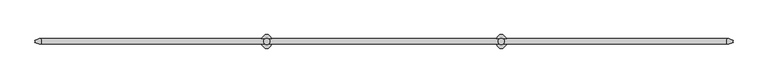
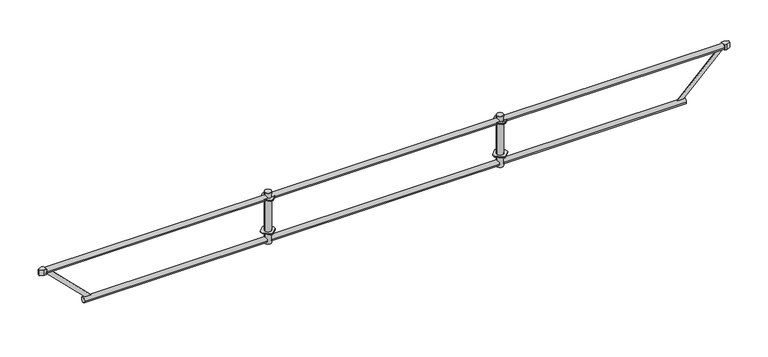
"""IFC4 building model written with IfcOpenShell, lengths in millimetres: proxy geometry."""

from ifc_helpers import new_model, si_unit, point, frame, frame_2d, origin, origin_2d, place, context, project, spatial, polyline, circle_curve, trimmed, segment, composite_curve, outline, extrude, source, transform, mapped, element, save


def generic_models_d2f4a7e8(model_context):
    return source(origin(), model_context, "Body", "SweptSolid", [
        extrude(outline(polyline([(1839.5, 53.0), (1882.0, 10.5), (1882.0, -10.5), (1839.5, -53.0), (1818.5, -53.0), (1776.0, -10.5), (1776.0, 10.5), (1818.5, 53.0), (1839.5, 53.0)]), holes=[composite_curve([segment(trimmed(circle_curve(frame_2d((1829.0, 0.0)), 24.3), [point((1804.7, 0.0))], [point((1853.3, 0.0))], True, "CARTESIAN"), True, "CONTINUOUS"), segment(trimmed(circle_curve(frame_2d((1829.0, 0.0)), 24.3), [point((1853.3, 0.0))], [point((1804.7, 0.0))], True, "CARTESIAN"), True, "CONTINUOUS")], self_intersect=False)]), frame((0.0, 0.0, -284.0), z_axis=(0.0, 0.0, 1.0), x_axis=(1.0, 0.0, 0.0)), (0.0, 0.0, 1.0), 8.0),
        extrude(outline(polyline([(1839.5, 53.0), (1882.0, 10.5), (1882.0, -10.5), (1839.5, -53.0), (1818.5, -53.0), (1776.0, -10.5), (1776.0, 10.5), (1818.5, 53.0), (1839.5, 53.0)]), holes=[composite_curve([segment(trimmed(circle_curve(frame_2d((1829.0, 0.0)), 24.3), [point((1804.7, 0.0))], [point((1853.3, 0.0))], True, "CARTESIAN"), True, "CONTINUOUS"), segment(trimmed(circle_curve(frame_2d((1829.0, 0.0)), 24.3), [point((1853.3, 0.0))], [point((1804.7, 0.0))], True, "CARTESIAN"), True, "CONTINUOUS")], self_intersect=False)]), frame((0.0, 0.0, -4.0), z_axis=(0.0, 0.0, 1.0), x_axis=(1.0, 0.0, 0.0)), (0.0, 0.0, 1.0), 8.0),
        extrude(outline(polyline([(3668.5, 53.0), (3711.0, 10.5), (3711.0, -10.5), (3668.5, -53.0), (3647.5, -53.0), (3605.0, -10.5), (3605.0, 10.5), (3647.5, 53.0), (3668.5, 53.0)]), holes=[composite_curve([segment(trimmed(circle_curve(frame_2d((3658.0, 0.0)), 24.3), [point((3633.7, 0.0))], [point((3682.3, 0.0))], True, "CARTESIAN"), True, "CONTINUOUS"), segment(trimmed(circle_curve(frame_2d((3658.0, 0.0)), 24.3), [point((3682.3, 0.0))], [point((3633.7, 0.0))], True, "CARTESIAN"), True, "CONTINUOUS")], self_intersect=False)]), frame((0.0, 0.0, -284.0), z_axis=(0.0, 0.0, 1.0), x_axis=(1.0, 0.0, 0.0)), (0.0, 0.0, 1.0), 8.0),
        extrude(outline(polyline([(3668.5, 53.0), (3711.0, 10.5), (3711.0, -10.5), (3668.5, -53.0), (3647.5, -53.0), (3605.0, -10.5), (3605.0, 10.5), (3647.5, 53.0), (3668.5, 53.0)]), holes=[composite_curve([segment(trimmed(circle_curve(frame_2d((3658.0, 0.0)), 24.3), [point((3633.7, 0.0))], [point((3682.3, 0.0))], True, "CARTESIAN"), True, "CONTINUOUS"), segment(trimmed(circle_curve(frame_2d((3658.0, 0.0)), 24.3), [point((3682.3, 0.0))], [point((3633.7, 0.0))], True, "CARTESIAN"), True, "CONTINUOUS")], self_intersect=False)]), frame((0.0, 0.0, -4.0), z_axis=(0.0, 0.0, 1.0), x_axis=(1.0, 0.0, 0.0)), (0.0, 0.0, 1.0), 8.0),
        extrude(outline(composite_curve([segment(polyline([(71.5, 21.5), (71.5, -21.5), (54.4592, -21.5), (22.417134, -9.3788237)]), True, "CONTINUOUS"), segment(trimmed(circle_curve(frame_2d((5.2e-06, 0.0)), 24.3), [point((22.417134, -9.3788237))], [point((24.3000052, 0.0))], True, "CARTESIAN"), True, "CONTINUOUS"), segment(trimmed(circle_curve(frame_2d((5.2e-06, 0.0)), 24.3), [point((24.3000052, 0.0))], [point((22.417134, 9.3788237))], True, "CARTESIAN"), True, "CONTINUOUS"), segment(polyline([(22.417134, 9.3788237), (54.4592, 21.5), (71.5, 21.5)]), True, "CONTINUOUS")], self_intersect=False)), frame((0.0, 0.0, -21.5), z_axis=(0.0, 0.0, 1.0), x_axis=(1.0, 0.0, 0.0)), (0.0, 0.0, 1.0), 43.0),
        extrude(outline(composite_curve([segment(polyline([(5415.5, -21.5), (5415.5, 21.5), (5432.5408, 21.5), (5464.582866, 9.3788237)]), True, "CONTINUOUS"), segment(trimmed(circle_curve(frame_2d((5486.9999948, 0.0)), 24.3), [point((5464.582866, 9.3788237))], [point((5462.6999948, 0.0))], True, "CARTESIAN"), True, "CONTINUOUS"), segment(trimmed(circle_curve(frame_2d((5486.9999948, 0.0)), 24.3), [point((5462.6999948, 0.0))], [point((5464.582866, -9.3788237))], True, "CARTESIAN"), True, "CONTINUOUS"), segment(polyline([(5464.582866, -9.3788237), (5432.5408, -21.5), (5415.5, -21.5)]), True, "CONTINUOUS")], self_intersect=False)), frame((0.0, 0.0, -21.5), z_axis=(0.0, 0.0, 1.0), x_axis=(1.0, 0.0, 0.0)), (0.0, 0.0, 1.0), 43.0),
        extrude(outline(polyline([(0.0, -494.9747485), (0.0, 0.0), (5.0, 0.0), (5.0, -494.9747485), (0.0, -494.9747485)])), frame((5070.0208149, -2.5, -362.0208152), z_axis=(-0.7071067787911799, 0.0, 0.7071067835819151), x_axis=(0.0, 1.0, 0.0)), (0.0, 0.0, 1.0), 34.0),
        extrude(outline(polyline([(0.0, -494.974748), (0.0, 0.0), (5.0, 0.0), (5.0, -494.974748), (0.0, -494.974748)])), frame((66.9791697, -2.5, -12.0208153), z_axis=(0.7071067795914883, 0.0, 0.7071067827816069), x_axis=(0.0, 1.0, 0.0)), (0.0, 0.0, 1.0), 34.0),
        extrude(outline(composite_curve([segment(trimmed(circle_curve(origin_2d(), 21.35), [point((21.35, 0.0))], [point((-21.35, 0.0))], False, "CARTESIAN"), True, "CONTINUOUS"), segment(trimmed(circle_curve(origin_2d(), 21.35), [point((-21.35, 0.0))], [point((21.35, 0.0))], False, "CARTESIAN"), True, "CONTINUOUS")], self_intersect=False)), frame((1845.3, 0.0, 0.0), z_axis=(1.0, 0.0, 0.0), x_axis=(0.0, 1.0, 0.0)), (0.0, 0.0, 1.0), 1796.3999999),
        extrude(outline(composite_curve([segment(trimmed(circle_curve(frame_2d((0.0, -350.0)), 21.35), [point((21.35, -350.0))], [point((-21.35, -350.0))], False, "CARTESIAN"), True, "CONTINUOUS"), segment(trimmed(circle_curve(frame_2d((0.0, -350.0)), 21.35), [point((-21.35, -350.0))], [point((21.35, -350.0))], False, "CARTESIAN"), True, "CONTINUOUS")], self_intersect=False)), frame((1845.3, 0.0, 0.0), z_axis=(1.0, 0.0, 0.0), x_axis=(0.0, 1.0, 0.0)), (0.0, 0.0, 1.0), 1796.4),
        extrude(outline(composite_curve([segment(trimmed(circle_curve(origin_2d(), 21.35), [point((-21.35, 0.0))], [point((21.35, 0.0))], False, "CARTESIAN"), True, "CONTINUOUS"), segment(trimmed(circle_curve(origin_2d(), 21.35), [point((21.35, 0.0))], [point((-21.35, 0.0))], False, "CARTESIAN"), True, "CONTINUOUS")], self_intersect=False)), frame((3674.3, 0.0, 0.0), z_axis=(1.0, 0.0, 0.0), x_axis=(0.0, 1.0, 0.0)), (0.0, 0.0, 1.0), 1741.2),
        extrude(outline(composite_curve([segment(trimmed(circle_curve(frame_2d((0.0, -350.0)), 21.35), [point((21.35, -350.0))], [point((-21.35, -350.0))], False, "CARTESIAN"), True, "CONTINUOUS"), segment(trimmed(circle_curve(frame_2d((0.0, -350.0)), 21.35), [point((-21.35, -350.0))], [point((21.35, -350.0))], False, "CARTESIAN"), True, "CONTINUOUS")], self_intersect=False)), frame((371.7, 0.0, 0.0), z_axis=(1.0, 0.0, 0.0), x_axis=(0.0, 1.0, 0.0)), (0.0, 0.0, 1.0), 1441.0),
        extrude(outline(composite_curve([segment(trimmed(circle_curve(frame_2d((0.0, -350.0)), 21.35), [point((-21.35, -350.0))], [point((21.35, -350.0))], False, "CARTESIAN"), True, "CONTINUOUS"), segment(trimmed(circle_curve(frame_2d((0.0, -350.0)), 21.35), [point((21.35, -350.0))], [point((-21.35, -350.0))], False, "CARTESIAN"), True, "CONTINUOUS")], self_intersect=False)), frame((3674.3, 0.0, 0.0), z_axis=(1.0, 0.0, 0.0), x_axis=(0.0, 1.0, 0.0)), (0.0, 0.0, 1.0), 1441.0),
        extrude(outline(composite_curve([segment(trimmed(circle_curve(origin_2d(), 21.35), [point((21.35, 0.0))], [point((-21.35, 0.0))], False, "CARTESIAN"), True, "CONTINUOUS"), segment(trimmed(circle_curve(origin_2d(), 21.35), [point((-21.35, 0.0))], [point((21.35, 0.0))], False, "CARTESIAN"), True, "CONTINUOUS")], self_intersect=False)), frame((71.5, 0.0, 0.0), z_axis=(1.0, 0.0, 0.0), x_axis=(0.0, 1.0, 0.0)), (0.0, 0.0, 1.0), 1741.2),
        extrude(outline(composite_curve([segment(trimmed(circle_curve(frame_2d((3658.0, 0.0)), 24.3), [point((3633.7, 0.0))], [point((3682.3, 0.0))], False, "CARTESIAN"), True, "CONTINUOUS"), segment(trimmed(circle_curve(frame_2d((3658.0, 0.0)), 24.3), [point((3682.3, 0.0))], [point((3633.7, 0.0))], False, "CARTESIAN"), True, "CONTINUOUS")], self_intersect=False)), frame((0.0, 0.0, -380.0), z_axis=(0.0, 0.0, 1.0), x_axis=(1.0, 0.0, 0.0)), (0.0, 0.0, 1.0), 425.0),
        extrude(outline(composite_curve([segment(trimmed(circle_curve(frame_2d((1829.0, 0.0)), 24.3), [point((1804.7, 0.0))], [point((1853.3, 0.0))], False, "CARTESIAN"), True, "CONTINUOUS"), segment(trimmed(circle_curve(frame_2d((1829.0, 0.0)), 24.3), [point((1853.3, 0.0))], [point((1804.7, 0.0))], False, "CARTESIAN"), True, "CONTINUOUS")], self_intersect=False)), frame((0.0, 0.0, -380.0), z_axis=(0.0, 0.0, 1.0), x_axis=(1.0, 0.0, 0.0)), (0.0, 0.0, 1.0), 425.0),
    ])


if __name__ == "__main__":
    model = new_model("IFC4")
    model_context = context("Model", 3, world=origin())
    ifc_project = project(units=[si_unit("LENGTHUNIT", "METRE", prefix="MILLI")], contexts=[model_context])
    site = spatial("IfcSite", under=ifc_project)
    building = spatial("IfcBuilding", under=site)
    placement = place(None, origin())
    generic_models_shape = generic_models_d2f4a7e8(model_context)
    element("IfcBuildingElementProxy", 1, Name="Generic Models", at=placement, inside=building, context=model_context, shape_type="MappedRepresentation", body=[
        mapped(generic_models_shape, transform((0.0, 0.0, 0.0), x_axis=(1.0, 0.0, 0.0), y_axis=(0.0, 1.0, 0.0), z_axis=(0.0, 0.0, 1.0))),
    ])
    save(model, "model.ifc")
